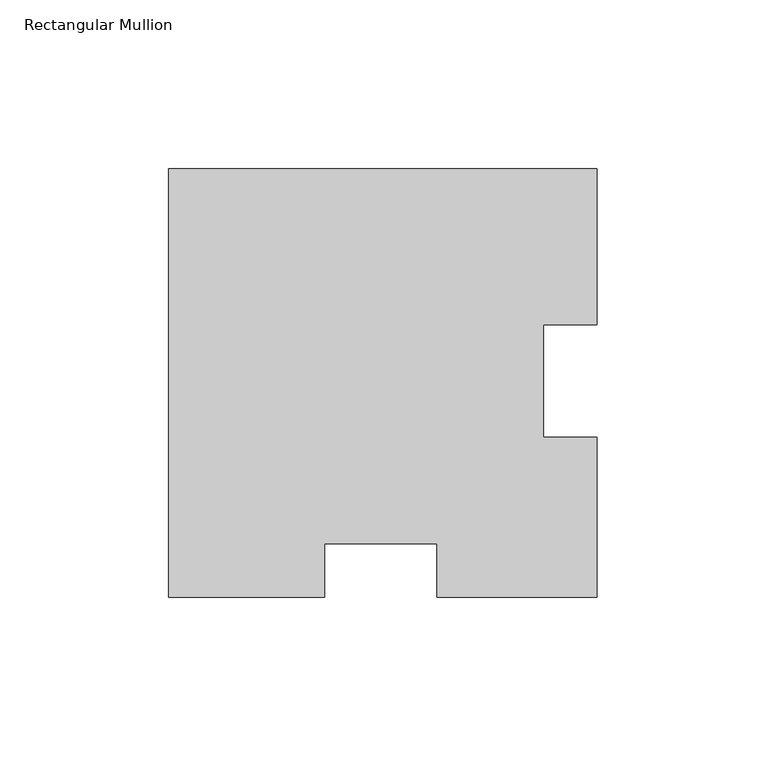
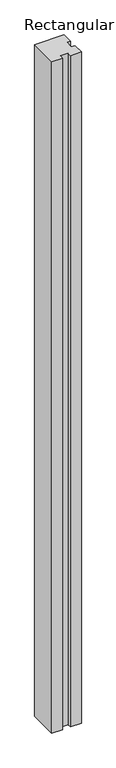
"""IFC4 building model written with IfcOpenShell, lengths in millimetres: member geometry, Rectangular Mullion."""

from ifc_helpers import new_model, si_unit, frame, origin, place, context, project, spatial, polyline, outline, extrude, source, transform, mapped, element, save


def rectangular_mullion_a74b636b(model_context):
    return source(origin(), model_context, "Body", "SweptSolid", [
        extrude(outline(polyline([(0.0, 63.5), (0.0, 17.2946766), (-15.875, 17.2946766), (-15.875, -16.0413201), (0.0, -16.0413201), (0.0, -63.5), (-47.4540686, -63.5), (-47.4540686, -47.625), (-80.7946766, -47.625), (-80.7946766, -63.5), (-127.0, -63.5), (-127.0, 63.5), (0.0, 63.5)])), frame((0.0, 0.0, -3048.0), z_axis=(0.0, 0.0, 1.0), x_axis=(1.0, 0.0, 0.0)), (0.0, 0.0, 1.0), 3048.0),
    ])


if __name__ == "__main__":
    model = new_model("IFC4")
    model_context = context("Model", 3, world=origin())
    ifc_project = project(units=[si_unit("LENGTHUNIT", "METRE", prefix="MILLI")], contexts=[model_context])
    site = spatial("IfcSite", under=ifc_project)
    building = spatial("IfcBuilding", under=site)
    placement = place(None, origin())
    rectangular_mullion_shape = rectangular_mullion_a74b636b(model_context)
    element("IfcMember", 1, ObjectType="Rectangular Mullion", at=placement, inside=building, context=model_context, shape_type="MappedRepresentation", body=[
        mapped(rectangular_mullion_shape, transform((0.0, 0.0, 0.0), x_axis=(1.0, 0.0, 0.0), y_axis=(0.0, 1.0, 0.0), z_axis=(0.0, 0.0, 1.0))),
    ])
    save(model, "model.ifc")
